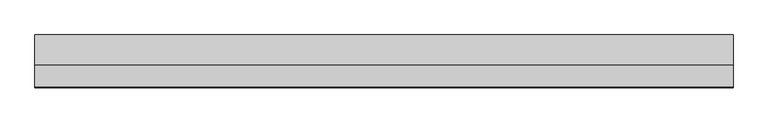
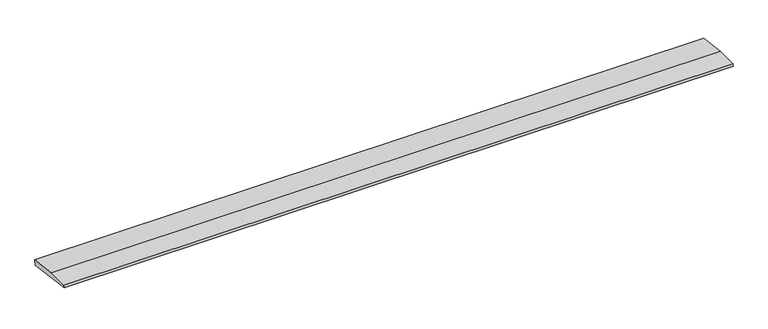
"""IFC4 building model written with IfcOpenShell, lengths in millimetres: beam geometry."""

from ifc_helpers import new_model, si_unit, frame, origin, place, context, project, spatial, polyline, outline, extrude, source, transform, mapped, element, save


def beam_09a4361b(model_context):
    return source(origin(), model_context, "Body", "SweptSolid", [
        extrude(outline(polyline([(0.0, -9.143159), (1.1226388, 0.0), (79.0749747, 0.0), (180.9387048, -12.5072934), (178.6231873, -31.3656703), (0.0, -9.143159)])), frame((-1194.699082, 0.0, 0.0), z_axis=(1.0, 0.0, 0.0), x_axis=(0.0, 1.0, 0.0)), (0.0, 0.0, 1.0), 2389.3981639),
    ])


if __name__ == "__main__":
    model = new_model("IFC4")
    model_context = context("Model", 3, world=origin())
    ifc_project = project(units=[si_unit("LENGTHUNIT", "METRE", prefix="MILLI")], contexts=[model_context])
    site = spatial("IfcSite", under=ifc_project)
    building = spatial("IfcBuilding", under=site)
    placement = place(None, origin())
    beam_shape = beam_09a4361b(model_context)
    element("IfcBeam", 1, at=placement, inside=building, context=model_context, shape_type="MappedRepresentation", body=[
        mapped(beam_shape, transform((0.0, 0.0, 0.0), x_axis=(1.0, 0.0, 0.0), y_axis=(0.0, 1.0, 0.0), z_axis=(0.0, 0.0, 1.0))),
    ])
    save(model, "model.ifc")
